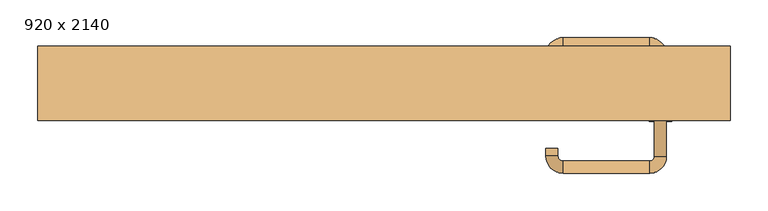
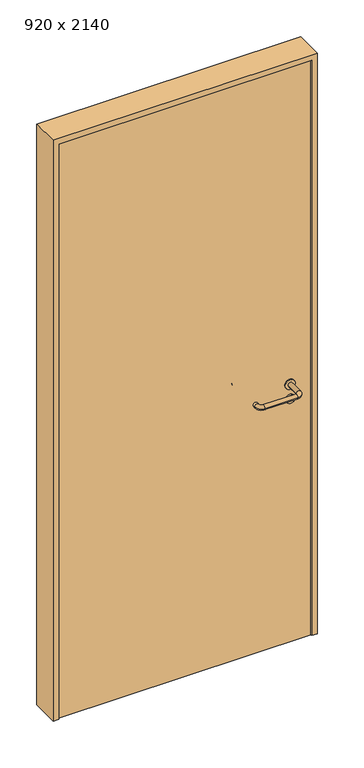
"""IFC4 building model written with IfcOpenShell, lengths in millimetres: door geometry, 920 x 2140."""

from ifc_helpers import new_model, si_unit, point, frame, frame_2d, origin, origin_with_axes, place, context, project, spatial, polyline, circle_curve, ellipse_curve, trimmed, segment, composite_curve, outline, extrude, source, transform, mapped, element, save
from ifc_brep_helpers import plane_surface, cylinder_surface, revolved_surface, advanced_brep


def door_920_x_2140_ba5bfa07(model_context):
    return source(origin(), model_context, "Body", "SolidModel", [
        extrude(outline(composite_curve([segment(trimmed(circle_curve(frame_2d((897.3605726, 367.0)), 15.0), [point((897.3605726, 382.0))], [point((897.3605726, 352.0))], False, "CARTESIAN"), True, "CONTINUOUS"), segment(trimmed(circle_curve(frame_2d((897.3605726, 367.0)), 15.0), [point((897.3605726, 352.0))], [point((897.3605726, 382.0))], False, "CARTESIAN"), True, "CONTINUOUS")], self_intersect=False), holes=[composite_curve([segment(trimmed(circle_curve(frame_2d((892.5833211, 366.9398032)), 2.0), [point((892.5833211, 368.9398032))], [point((892.5833211, 364.9398032))], True, "CARTESIAN"), True, "CONTINUOUS"), segment(polyline([(892.5833211, 364.9398032), (902.5833211, 364.9398032)]), True, "CONTINUOUS"), segment(trimmed(circle_curve(frame_2d((902.5833211, 366.9398032)), 2.0), [point((902.5833211, 364.9398032))], [point((902.5833211, 368.9398032))], True, "CARTESIAN"), True, "CONTINUOUS"), segment(polyline([(902.5833211, 368.9398032), (892.5833211, 368.9398032)]), True, "CONTINUOUS")], self_intersect=False)]), frame((0.0, -15.0, 0.0), z_axis=(0.0, 1.0, 0.0), x_axis=(0.0, 0.0, 1.0)), (0.0, 0.0, 1.0), 6.35),
        extrude(outline(composite_curve([segment(trimmed(circle_curve(frame_2d((950.0, 367.0)), 17.526), [point((950.0, 384.526))], [point((950.0, 349.474))], False, "CARTESIAN"), True, "CONTINUOUS"), segment(trimmed(circle_curve(frame_2d((950.0, 367.0)), 17.526), [point((950.0, 349.474))], [point((950.0, 384.526))], False, "CARTESIAN"), True, "CONTINUOUS")], self_intersect=False)), frame((0.0, -15.0, 0.0), z_axis=(0.0, 1.0, 0.0), x_axis=(0.0, 0.0, 1.0)), (0.0, 0.0, 1.0), 3.175),
        advanced_brep(
        [(375.0, -15.0, 950.0), (359.0, -15.0, 950.0), (375.0, 38.0, 950.0), (359.0, 38.0, 950.0), (352.8578644, 44.1421356, 950.0), (352.8578644, 60.1421356, 950.0), (237.8578644, 60.1421356, 950.0), (237.8578644, 44.1421356, 950.0), (231.008622, 37.2928932, 950.0), (215.008622, 37.2928932, 950.0), (215.008622, 27.2928932, 950.0), (231.008622, 27.2928932, 950.0)],
        [
            (0, 1, circle_curve(frame((367.0, -15.0, 950.0), z_axis=(0.0, -1.0, 0.0), x_axis=(-1.0, 0.0, 0.0)), 8.0)),
            (1, 0, circle_curve(frame((367.0, -15.0, 950.0), z_axis=(0.0, -1.0, 0.0), x_axis=(-1.0, 0.0, 0.0)), 8.0)),
            (0, 2),
            (2, 3, circle_curve(frame((367.0, 38.0, 950.0), z_axis=(0.0, -1.0, 0.0), x_axis=(-1.0, 0.0, 0.0)), 8.0)),
            (3, 1),
            (3, 2, circle_curve(frame((367.0, 38.0, 950.0), z_axis=(0.0, -1.0, 0.0), x_axis=(-1.0, 0.0, 0.0)), 8.0)),
            (4, 3, circle_curve(frame((352.8578644, 38.0, 950.0), z_axis=(0.0, 0.0, -1.0), x_axis=(1.0, 0.0, 0.0)), 6.1421356)),
            (2, 5, circle_curve(frame((352.8578644, 38.0, 950.0), z_axis=(0.0, 0.0, 1.0), x_axis=(1.0, 0.0, 0.0)), 22.1421356)),
            (5, 4, circle_curve(frame((352.8578644, 52.1421356, 950.0), z_axis=(1.0, 0.0, 0.0), x_axis=(0.0, -1.0, 0.0)), 8.0)),
            (4, 5, circle_curve(frame((352.8578644, 52.1421356, 950.0), z_axis=(1.0, 0.0, 0.0), x_axis=(0.0, -1.0, 0.0)), 8.0)),
            (5, 6),
            (6, 7, circle_curve(frame((237.8578644, 52.1421356, 950.0), z_axis=(1.0, 0.0, 0.0), x_axis=(0.0, -1.0, 0.0)), 8.0)),
            (7, 4),
            (7, 6, circle_curve(frame((237.8578644, 52.1421356, 950.0), z_axis=(1.0, 0.0, 0.0), x_axis=(0.0, -1.0, 0.0)), 8.0)),
            (8, 7, circle_curve(frame((237.8578644, 37.2928932, 950.0), z_axis=(0.0, 0.0, -1.0), x_axis=(0.0, 1.0, 0.0)), 6.8492424)),
            (6, 9, circle_curve(frame((237.8578644, 37.2928932, 950.0), z_axis=(0.0, 0.0, 1.0), x_axis=(0.0, 1.0, 0.0)), 22.8492424)),
            (9, 8, circle_curve(frame((223.008622, 37.2928932, 950.0), z_axis=(0.0, 1.0, 0.0), x_axis=(1.0, 0.0, 0.0)), 8.0)),
            (8, 9, circle_curve(frame((223.008622, 37.2928932, 950.0), z_axis=(0.0, 1.0, 0.0), x_axis=(1.0, 0.0, 0.0)), 8.0)),
            (10, 11, circle_curve(frame((223.008622, 27.2928932, 950.0), z_axis=(0.0, -1.0, 0.0), x_axis=(1.0, 0.0, 0.0)), 8.0)),
            (11, 10, circle_curve(frame((223.008622, 27.2928932, 950.0), z_axis=(0.0, -1.0, 0.0), x_axis=(1.0, 0.0, 0.0)), 8.0)),
            (9, 10),
            (11, 8),
        ],
        [
            plane_surface(frame((367.0, -15.0, 0.0), z_axis=(0.0, -1.0, 0.0), x_axis=(0.0, 0.0, 1.0))),
            cylinder_surface(frame((367.0, -15.0, 950.0), z_axis=(0.0, -1.0, 0.0), x_axis=(-1.0, 0.0, 0.0)), 8.0),
            revolved_surface(trimmed(ellipse_curve(frame((367.0, 38.0, 950.0), z_axis=(0.0, -1.0, 0.0), x_axis=(-1.0, 0.0, 0.0)), 8.0, 8.0), [point((375.0, 38.0, 950.0))], [point((359.0, 38.0, 950.0))], True, "CARTESIAN"), (352.8578644, 38.0, 0.0), (0.0, 0.0, 1.0)),
            revolved_surface(trimmed(ellipse_curve(frame((367.0, 38.0, 950.0), z_axis=(0.0, -1.0, 0.0), x_axis=(-1.0, 0.0, 0.0)), 8.0, 8.0), [point((359.0, 38.0, 950.0))], [point((375.0, 38.0, 950.0))], True, "CARTESIAN"), (352.8578644, 38.0, 0.0), (0.0, 0.0, 1.0)),
            cylinder_surface(frame((352.8578644, 52.1421356, 950.0), z_axis=(1.0, 0.0, 0.0), x_axis=(0.0, -1.0, 0.0)), 8.0),
            revolved_surface(trimmed(ellipse_curve(frame((237.8578644, 52.1421356, 950.0), z_axis=(1.0, 0.0, 0.0), x_axis=(0.0, -1.0, 0.0)), 8.0, 8.0), [point((237.8578644, 60.1421356, 950.0))], [point((237.8578644, 44.1421356, 950.0))], True, "CARTESIAN"), (237.8578644, 37.2928932, 0.0), (0.0, 0.0, 1.0)),
            revolved_surface(trimmed(ellipse_curve(frame((237.8578644, 52.1421356, 950.0), z_axis=(1.0, 0.0, 0.0), x_axis=(0.0, -1.0, 0.0)), 8.0, 8.0), [point((237.8578644, 44.1421356, 950.0))], [point((237.8578644, 60.1421356, 950.0))], True, "CARTESIAN"), (237.8578644, 37.2928932, 0.0), (0.0, 0.0, 1.0)),
            plane_surface(frame((223.008622, 27.2928932, 0.0), z_axis=(0.0, -1.0, 0.0), x_axis=(0.0, 0.0, 1.0))),
            cylinder_surface(frame((223.008622, 37.2928932, 950.0), z_axis=(0.0, 1.0, 0.0), x_axis=(1.0, 0.0, 0.0)), 8.0),
        ],
        [
            (0, [[1, 2]]),
            (1, [[-1, 3, 4, 5]]),
            (1, [[-2, -5, 6, -3]]),
            (2, [[7, -4, 8, 9]]),
            (3, [[-8, -6, -7, 10]]),
            (4, [[-9, 11, 12, 13]]),
            (4, [[-10, -13, 14, -11]]),
            (5, [[15, -12, 16, 17]]),
            (6, [[-16, -14, -15, 18]]),
            (7, [[19, 20]]),
            (8, [[-17, 21, -20, 22]]),
            (8, [[-18, -22, -19, -21]]),
        ],
    ),
        extrude(outline(composite_curve([segment(trimmed(circle_curve(frame_2d((0.0, 15.0)), 15.0), [point((0.0, 30.0))], [point((0.0, 0.0))], False, "CARTESIAN"), True, "CONTINUOUS"), segment(trimmed(circle_curve(frame_2d((0.0, 15.0)), 15.0), [point((0.0, 0.0))], [point((0.0, 30.0))], False, "CARTESIAN"), True, "CONTINUOUS")], self_intersect=False), holes=[composite_curve([segment(trimmed(circle_curve(frame_2d((-4.7772515, 14.9398032)), 2.0), [point((-4.7772515, 16.9398032))], [point((-4.7772515, 12.9398032))], True, "CARTESIAN"), True, "CONTINUOUS"), segment(polyline([(-4.7772515, 12.9398032), (5.2227485, 12.9398032)]), True, "CONTINUOUS"), segment(trimmed(circle_curve(frame_2d((5.2227485, 14.9398032)), 2.0), [point((5.2227485, 12.9398032))], [point((5.2227485, 16.9398032))], True, "CARTESIAN"), True, "CONTINUOUS"), segment(polyline([(5.2227485, 16.9398032), (-4.7772515, 16.9398032)]), True, "CONTINUOUS")], self_intersect=False)]), frame((352.0, -51.35, 897.3605726), z_axis=(-1.8870575173328306e-12, 1.0, 0.0), x_axis=(0.0, 0.0, 1.0)), (0.0, 0.0, 1.0), 6.35),
        extrude(outline(composite_curve([segment(trimmed(circle_curve(frame_2d((0.0, 17.526)), 17.526), [point((0.0, 35.052))], [point((0.0, 0.0))], False, "CARTESIAN"), True, "CONTINUOUS"), segment(trimmed(circle_curve(frame_2d((0.0, 17.526)), 17.526), [point((0.0, 0.0))], [point((0.0, 35.052))], False, "CARTESIAN"), True, "CONTINUOUS")], self_intersect=False)), frame((349.474, -48.175, 950.0), z_axis=(-1.8870575173328306e-12, 1.0, 0.0), x_axis=(0.0, 0.0, 1.0)), (0.0, 0.0, 1.0), 3.175),
        advanced_brep(
        [(375.0, -45.0, 950.0), (359.0, -45.0, 950.0), (359.0, -98.0, 950.0), (375.0, -98.0, 950.0), (352.8578644, -104.1421356, 950.0), (352.8578644, -120.1421356, 950.0), (237.8578644, -104.1421356, 950.0), (237.8578644, -120.1421356, 950.0), (231.008622, -97.2928932, 950.0), (215.008622, -97.2928932, 950.0), (215.008622, -87.2928932, 950.0), (231.008622, -87.2928932, 950.0)],
        [
            (0, 1, circle_curve(frame((367.0, -45.0, 950.0), z_axis=(-1.888672253512351e-12, 1.0, 0.0), x_axis=(-1.0, -1.888672253512351e-12, 0.0)), 8.0)),
            (1, 0, circle_curve(frame((367.0, -45.0, 950.0), z_axis=(-1.888672253512351e-12, 1.0, 0.0), x_axis=(-1.0, -1.888672253512351e-12, 0.0)), 8.0)),
            (1, 2),
            (2, 3, circle_curve(frame((367.0, -98.0, 950.0), z_axis=(-1.888672253512351e-12, 1.0, 0.0), x_axis=(-1.0, -1.888672253512351e-12, 0.0)), 8.0)),
            (3, 0),
            (3, 2, circle_curve(frame((367.0, -98.0, 950.0), z_axis=(-1.888672253512351e-12, 1.0, 0.0), x_axis=(-1.0, -1.888672253512351e-12, 0.0)), 8.0)),
            (4, 5, circle_curve(frame((352.8578644, -112.1421356, 950.0), z_axis=(1.0, 1.913702061528922e-12, 0.0), x_axis=(-1.913702061528922e-12, 1.0, 0.0)), 8.0)),
            (5, 3, circle_curve(frame((352.8578644, -98.0, 950.0), z_axis=(0.0, 0.0, 1.0), x_axis=(1.0, 1.880717803715015e-12, 0.0)), 22.1421356)),
            (2, 4, circle_curve(frame((352.8578644, -98.0, 950.0), z_axis=(0.0, 0.0, -1.0), x_axis=(1.0, 1.880717803715015e-12, 0.0)), 6.1421356)),
            (5, 4, circle_curve(frame((352.8578644, -112.1421356, 950.0), z_axis=(1.0, 1.913702061528922e-12, 0.0), x_axis=(-1.913702061528922e-12, 1.0, 0.0)), 8.0)),
            (4, 6),
            (6, 7, circle_curve(frame((237.8578644, -112.1421356, 950.0), z_axis=(1.0, 1.913719828541269e-12, 0.0), x_axis=(-1.913719828541269e-12, 1.0, 0.0)), 8.0)),
            (7, 5),
            (7, 6, circle_curve(frame((237.8578644, -112.1421356, 950.0), z_axis=(1.0, 1.913719828541269e-12, 0.0), x_axis=(-1.913719828541269e-12, 1.0, 0.0)), 8.0)),
            (8, 9, circle_curve(frame((223.008622, -97.2928932, 950.0), z_axis=(1.8888942981172756e-12, -1.0, 0.0), x_axis=(1.0, 1.8888942981172756e-12, 0.0)), 8.0)),
            (9, 7, circle_curve(frame((237.8578644, -97.2928932, 950.0), z_axis=(0.0, 0.0, 1.0), x_axis=(1.9120873253494017e-12, -1.0, 0.0)), 22.8492424)),
            (6, 8, circle_curve(frame((237.8578644, -97.2928932, 950.0), z_axis=(0.0, 0.0, -1.0), x_axis=(1.9120873253494017e-12, -1.0, 0.0)), 6.8492424)),
            (9, 8, circle_curve(frame((223.008622, -97.2928932, 950.0), z_axis=(1.890448610351751e-12, -1.0, 0.0), x_axis=(1.0, 1.890448610351751e-12, 0.0)), 8.0)),
            (10, 11, circle_curve(frame((223.008622, -87.2928932, 950.0), z_axis=(-1.8903642334018795e-12, 1.0, 0.0), x_axis=(1.0, 1.8903642334018795e-12, 0.0)), 8.0)),
            (11, 10, circle_curve(frame((223.008622, -87.2928932, 950.0), z_axis=(-1.8903642334018795e-12, 1.0, 0.0), x_axis=(1.0, 1.8903642334018795e-12, 0.0)), 8.0)),
            (8, 11),
            (10, 9),
        ],
        [
            plane_surface(frame((367.0, -45.0, 0.0), z_axis=(-1.8870575173328306e-12, 1.0, 0.0), x_axis=(0.0, 0.0, 1.0))),
            cylinder_surface(frame((367.0, -45.0, 950.0), z_axis=(-1.888672253512351e-12, 1.0, 0.0), x_axis=(-1.0, -1.888672253512351e-12, 0.0)), 8.0),
            revolved_surface(trimmed(ellipse_curve(frame((367.0, -98.0, 950.0), z_axis=(1.8823325398945356e-12, -1.0, 0.0), x_axis=(-1.0, -1.8823325398945356e-12, 0.0)), 8.0, 8.0), [point((375.0, -98.0, 950.0))], [point((359.0, -98.0, 950.0))], True, "CARTESIAN"), (352.8578644, -98.0, 0.0), (0.0, 0.0, 1.0)),
            revolved_surface(trimmed(ellipse_curve(frame((367.0, -98.0, 950.0), z_axis=(1.8823325398945356e-12, -1.0, 0.0), x_axis=(-1.0, -1.8823325398945356e-12, 0.0)), 8.0, 8.0), [point((359.0, -98.0, 950.0))], [point((375.0, -98.0, 950.0))], True, "CARTESIAN"), (352.8578644, -98.0, 0.0), (0.0, 0.0, 1.0)),
            cylinder_surface(frame((352.8578644, -112.1421356, 950.0), z_axis=(1.0, 1.913719828541269e-12, 0.0), x_axis=(-1.913719828541269e-12, 1.0, 0.0)), 8.0),
            revolved_surface(trimmed(ellipse_curve(frame((237.8578644, -112.1421356, 950.0), z_axis=(-1.0, -1.913702061528922e-12, 0.0), x_axis=(-1.913702061528922e-12, 1.0, 0.0)), 8.0, 8.0), [point((237.8578644, -120.1421356, 950.0))], [point((237.8578644, -104.1421356, 950.0))], True, "CARTESIAN"), (237.8578644, -97.2928932, 0.0), (0.0, 0.0, 1.0)),
            revolved_surface(trimmed(ellipse_curve(frame((237.8578644, -112.1421356, 950.0), z_axis=(-1.0, -1.913702061528922e-12, 0.0), x_axis=(-1.913702061528922e-12, 1.0, 0.0)), 8.0, 8.0), [point((237.8578644, -104.1421356, 950.0))], [point((237.8578644, -120.1421356, 950.0))], True, "CARTESIAN"), (237.8578644, -97.2928932, 0.0), (0.0, 0.0, 1.0)),
            plane_surface(frame((223.008622, -87.2928932, 0.0), z_axis=(-1.8887494972223595e-12, 1.0, 0.0), x_axis=(0.0, 0.0, 1.0))),
            cylinder_surface(frame((223.008622, -97.2928932, 950.0), z_axis=(1.8903642334018795e-12, -1.0, 0.0), x_axis=(1.0, 1.8903642334018795e-12, 0.0)), 8.0),
        ],
        [
            (0, [[1, 2]]),
            (1, [[3, 4, 5, -2]]),
            (1, [[-5, 6, -3, -1]]),
            (2, [[7, 8, -4, 9]]),
            (3, [[10, -9, -6, -8]]),
            (4, [[11, 12, 13, -7]]),
            (4, [[-13, 14, -11, -10]]),
            (5, [[15, 16, -12, 17]]),
            (6, [[18, -17, -14, -16]]),
            (7, [[19, 20]]),
            (8, [[21, -19, 22, -15]]),
            (8, [[-22, -20, -21, -18]]),
        ],
    ),
        extrude(outline(polyline([(2120.0, 440.0), (0.0, 440.0), (0.0, 460.0), (2140.0, 460.0), (2140.0, -460.0), (0.0, -460.0), (0.0, -440.0), (2120.0, -440.0), (2120.0, 440.0)])), frame((0.0, -50.0, 0.0), z_axis=(0.0, 1.0, 0.0), x_axis=(0.0, 0.0, 1.0)), (0.0, 0.0, 1.0), 99.0),
        extrude(outline(polyline([(-440.0, -45.0), (-440.0, -15.0), (440.0, -15.0), (440.0, -45.0), (-440.0, -45.0)])), origin_with_axes(), (0.0, 0.0, 1.0), 2120.0),
    ])


if __name__ == "__main__":
    model = new_model("IFC4")
    model_context = context("Model", 3, world=origin())
    ifc_project = project(units=[si_unit("LENGTHUNIT", "METRE", prefix="MILLI")], contexts=[model_context])
    site = spatial("IfcSite", under=ifc_project)
    building = spatial("IfcBuilding", under=site)
    placement = place(None, origin())
    door_920_x_2140_shape = door_920_x_2140_ba5bfa07(model_context)
    element("IfcDoor", 1, ObjectType="920 x 2140", at=placement, inside=building, context=model_context, shape_type="MappedRepresentation", body=[
        mapped(door_920_x_2140_shape, transform((0.0, 0.0, 0.0), x_axis=(1.0, 0.0, 0.0), y_axis=(0.0, 1.0, 0.0), z_axis=(0.0, 0.0, 1.0))),
    ])
    save(model, "model.ifc")
